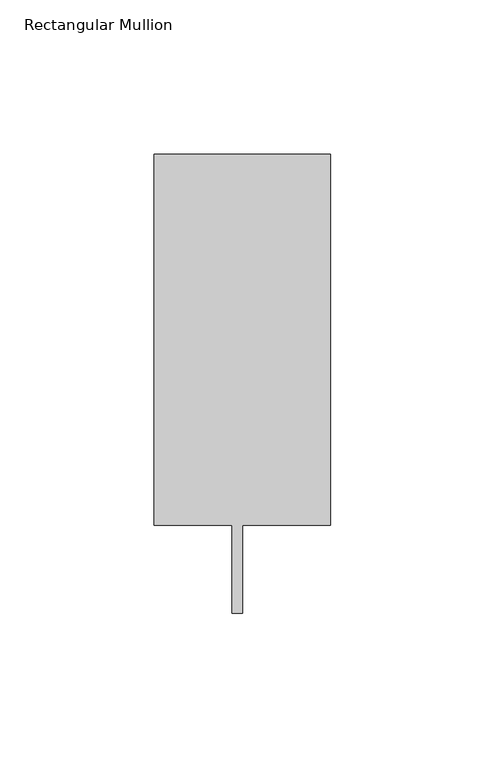
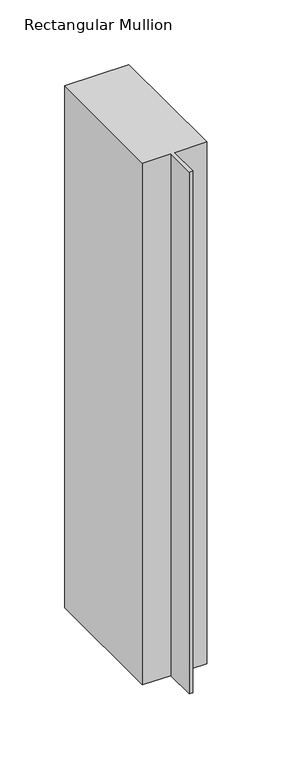
"""IFC4 building model written with IfcOpenShell, lengths in millimetres: member geometry, Rectangular Mullion."""

from ifc_helpers import new_model, si_unit, frame, origin, place, context, project, spatial, polyline, outline, extrude, source, transform, mapped, element, save


def rectangular_mullion_f94ed81c(model_context):
    return source(origin(), model_context, "Body", "SweptSolid", [
        extrude(outline(polyline([(-57.15, 151.892), (0.0, 151.892), (0.0, 31.75), (-28.575, 31.75), (-28.575, 3.1495791), (-31.877, 3.1495791), (-31.877, 31.75), (-57.15, 31.75), (-57.15, 151.892)])), frame((0.0, 0.0, -492.1377), z_axis=(0.0, 0.0, 1.0), x_axis=(1.0, 0.0, 0.0)), (0.0, 0.0, 1.0), 492.1377),
    ])


if __name__ == "__main__":
    model = new_model("IFC4")
    model_context = context("Model", 3, world=origin())
    ifc_project = project(units=[si_unit("LENGTHUNIT", "METRE", prefix="MILLI")], contexts=[model_context])
    site = spatial("IfcSite", under=ifc_project)
    building = spatial("IfcBuilding", under=site)
    placement = place(None, origin())
    rectangular_mullion_shape = rectangular_mullion_f94ed81c(model_context)
    element("IfcMember", 1, ObjectType="Rectangular Mullion", at=placement, inside=building, context=model_context, shape_type="MappedRepresentation", body=[
        mapped(rectangular_mullion_shape, transform((0.0, 0.0, 0.0), x_axis=(1.0, 0.0, 0.0), y_axis=(0.0, 1.0, 0.0), z_axis=(0.0, 0.0, 1.0))),
    ])
    save(model, "model.ifc")
